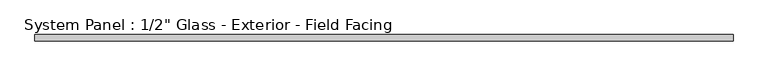
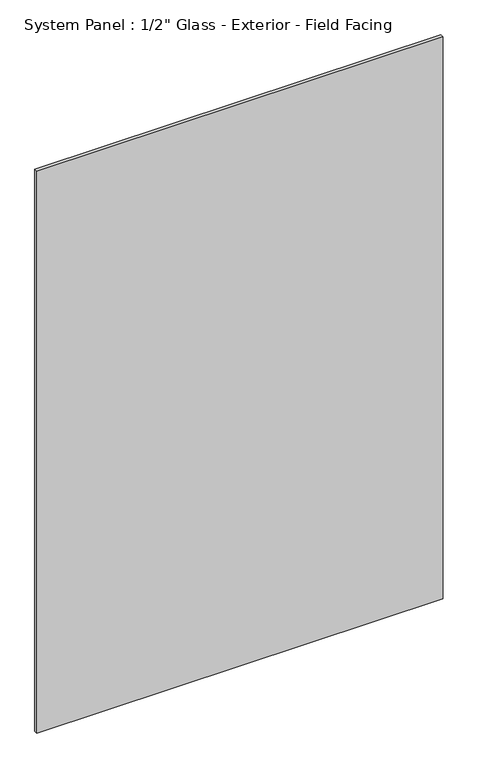
"""IFC4 building model written with IfcOpenShell, lengths in millimetres: plate geometry."""

import ifcopenshell
import ifcopenshell.guid

model = None  # the IFC model being written
_history = None  # IfcOwnerHistory: only IFC2X3 demands one
_inside = {}  # id of a spatial element -> (the spatial element, [elements in it])
_under = {}  # id of a project, library or spatial element -> (it, [spatial elements below it])
_declared = {}  # id of a project -> (the project, [libraries it declares])
_typed = {}  # id of a type object -> (the type object, [elements of that type])
_made_of = {}  # id of a material, layer set ... -> (it, [elements and type objects made of it])


def new_model(schema):
    """Start an empty IFC model of exactly this schema.

    Asked for "IFC4X3", IfcOpenShell would pick the latest addendum, in which some entities
    have other attributes; the version numbers below select the first issue.
    IFC2X3 requires an IfcOwnerHistory on every rooted entity: one is made here for all.
    """
    global model, _history
    if schema == "IFC4X3":
        model = ifcopenshell.file(schema_version=(4, 3, 0, 0))
    else:
        model = ifcopenshell.file(schema=schema)
    _inside.clear()
    _under.clear()
    _declared.clear()
    _typed.clear()
    _made_of.clear()
    _history = None
    if model.schema == "IFC2X3":
        org = make("IfcOrganization", Name="unknown")
        user = make(
            "IfcPersonAndOrganization",
            ThePerson=make("IfcPerson", FamilyName="unknown"),
            TheOrganization=org,
        )
        app = make(
            "IfcApplication",
            ApplicationDeveloper=org,
            Version="unknown",
            ApplicationFullName="unknown",
            ApplicationIdentifier="unknown",
        )
        _history = make(
            "IfcOwnerHistory",
            OwningUser=user,
            OwningApplication=app,
            ChangeAction="ADDED",
            CreationDate=0,
        )
    return model


def make(cls, **values):
    """One entity of the class cls with the attributes given. An attribute that is None is left unset."""
    return model.create_entity(
        cls, **{name: value for name, value in values.items() if value is not None}
    )


def rooted(cls, **values):
    """An entity with a GlobalId (a new one), such as an element, a storey or a relation."""
    return make(cls, GlobalId=ifcopenshell.guid.new(), OwnerHistory=_history, **values)


def si_unit(unit_type, name, prefix=None):
    """IfcSIUnit, for example si_unit("LENGTHUNIT", "METRE", prefix="MILLI")."""
    return make("IfcSIUnit", UnitType=unit_type, Prefix=prefix, Name=name)


def assignment(units):
    """IfcUnitAssignment: the units of a project."""
    return None if units is None else make("IfcUnitAssignment", Units=units)


def point(xyz):
    """IfcCartesianPoint."""
    return None if xyz is None else make("IfcCartesianPoint", Coordinates=xyz)


def direction(xyz):
    """IfcDirection."""
    return None if xyz is None else make("IfcDirection", DirectionRatios=xyz)


def frame(location, z_axis=None, x_axis=None):
    """IfcAxis2Placement3D, a coordinate frame: its origin and axes. An axis left out is left unset."""
    return make(
        "IfcAxis2Placement3D",
        Location=point(location),
        Axis=direction(z_axis),
        RefDirection=direction(x_axis),
    )


def origin():
    """The frame at (0, 0, 0) with its axes left unset."""
    return frame((0.0, 0.0, 0.0))


def origin_with_axes():
    """The frame at (0, 0, 0) with the z axis (0, 0, 1) and the x axis (1, 0, 0) written out."""
    return frame((0.0, 0.0, 0.0), z_axis=(0.0, 0.0, 1.0), x_axis=(1.0, 0.0, 0.0))


def place(relative_to, where):
    """IfcLocalPlacement: puts the frame where relative to a parent placement (None: the world)."""
    return make(
        "IfcLocalPlacement", PlacementRelTo=relative_to, RelativePlacement=where
    )


def context(
    kind, dimensions, precision=None, world=None, true_north=None, identifier=None
):
    """IfcGeometricRepresentationContext, for example the 3D "Model" context."""
    return make(
        "IfcGeometricRepresentationContext",
        ContextIdentifier=identifier,
        ContextType=kind,
        CoordinateSpaceDimension=dimensions,
        Precision=precision,
        WorldCoordinateSystem=world,
        TrueNorth=true_north,
    )


def project(units=None, contexts=None):
    """IfcProject with its units and contexts."""
    return rooted(
        "IfcProject",
        Name="project",
        RepresentationContexts=contexts,
        UnitsInContext=assignment(units),
    )


def spatial(cls, under=None, at=None, **own):
    """A site, building, storey or space (cls), placed at a placement, below another one or the project."""
    s = rooted(cls, ObjectPlacement=at, **own)
    if under is not None:
        _under.setdefault(under.id(), (under, []))[1].append(s)
    return s


def polyline(points):
    """IfcPolyline through the points."""
    return make("IfcPolyline", Points=[point(p) for p in points])


def outline(outer, holes=None, kind="AREA"):
    """IfcArbitraryClosedProfileDef: a profile drawn as a closed curve; with holes, ...WithVoids."""
    if holes is None:
        return make("IfcArbitraryClosedProfileDef", ProfileType=kind, OuterCurve=outer)
    return make(
        "IfcArbitraryProfileDefWithVoids",
        ProfileType=kind,
        OuterCurve=outer,
        InnerCurves=holes,
    )


def extrude(swept, where, along, depth):
    """IfcExtrudedAreaSolid: the profile swept, set in the frame where, extruded along a direction by depth."""
    return make(
        "IfcExtrudedAreaSolid",
        SweptArea=swept,
        Position=where,
        ExtrudedDirection=direction(along),
        Depth=depth,
    )


def shape(context_of_items, identifier, shape_type, items):
    """IfcShapeRepresentation: the items that make up one representation, for example the "Body"."""
    return make(
        "IfcShapeRepresentation",
        ContextOfItems=context_of_items,
        RepresentationIdentifier=identifier,
        RepresentationType=shape_type,
        Items=items,
    )


def source(mapping_origin, context_of_items, identifier, shape_type, items):
    """IfcRepresentationMap: a shape defined once, which mapped items show again and again."""
    return make(
        "IfcRepresentationMap",
        MappingOrigin=mapping_origin,
        MappedRepresentation=shape(context_of_items, identifier, shape_type, items),
    )


def transform(
    local_origin,
    x_axis=None,
    y_axis=None,
    z_axis=None,
    scale=None,
    scale2=None,
    scale3=None,
    uniform=True,
):
    """IfcCartesianTransformationOperator3D, or its non-uniform kind. x_axis, y_axis, z_axis: its Axis1, 2, 3."""
    if uniform:
        return make(
            "IfcCartesianTransformationOperator3D",
            Axis1=direction(x_axis),
            Axis2=direction(y_axis),
            LocalOrigin=point(local_origin),
            Scale=scale,
            Axis3=direction(z_axis),
        )
    return make(
        "IfcCartesianTransformationOperator3DnonUniform",
        Axis1=direction(x_axis),
        Axis2=direction(y_axis),
        LocalOrigin=point(local_origin),
        Scale=scale,
        Axis3=direction(z_axis),
        Scale2=scale2,
        Scale3=scale3,
    )


def mapped(mapping_source, mapping_target):
    """IfcMappedItem: shows the shape of a source again, moved by a transform."""
    return make(
        "IfcMappedItem", MappingSource=mapping_source, MappingTarget=mapping_target
    )


def made_of(thing, what):
    """Note that an element or type object is made of a material, layer set ...; save() writes the relation."""
    if what is not None:
        _made_of.setdefault(what.id(), (what, []))[1].append(thing)
    return thing


def element(
    cls,
    number,
    at=None,
    inside=None,
    cuts=None,
    type_object=None,
    material=None,
    context=None,
    identifier="Body",
    shape_type=None,
    held_by="IfcProductDefinitionShape",
    body=None,
    shapes=None,
    **own,
):
    """One element of the class cls, such as IfcWall. Its Tag is "e" and its number.

    at: its placement. inside: the storey or other place that contains it. cuts: it is an
    opening in that element (IfcRelVoidsElement). A single representation is given by context,
    identifier, shape_type and body (its items); several are given by shapes. held_by: the class
    of the entity that holds the representations. save() writes the other relations.
    """
    e = rooted(cls, Tag="e%d" % number, ObjectPlacement=at, **own)
    if body is not None:
        shapes = [shape(context, identifier, shape_type, body)]
    if shapes is not None:
        e.Representation = make(held_by, Representations=shapes)
    if inside is not None:
        _inside.setdefault(inside.id(), (inside, []))[1].append(e)
    if cuts is not None:
        rooted(
            "IfcRelVoidsElement", RelatingBuildingElement=cuts, RelatedOpeningElement=e
        )
    if type_object is not None:
        _typed.setdefault(type_object.id(), (type_object, []))[1].append(e)
    return made_of(e, material)


def aggregate(whole, parts):
    """IfcRelAggregates: a whole, such as a stair, and the parts it consists of."""
    return rooted("IfcRelAggregates", RelatingObject=whole, RelatedObjects=parts)


def save(model, path):
    """Write the relations noted so far, then the file.

    IfcRelAggregates (storeys below a building ...), IfcRelContainedInSpatialStructure (elements
    in a storey), IfcRelDefinesByType, IfcRelAssociatesMaterial and IfcRelDeclares: one each for
    every whole, place, type object, material and project.
    """
    for whole, parts in _under.values():
        aggregate(whole, parts)
    for where, things in _inside.values():
        rooted(
            "IfcRelContainedInSpatialStructure",
            RelatedElements=things,
            RelatingStructure=where,
        )
    for kind, things in _typed.values():
        rooted("IfcRelDefinesByType", RelatedObjects=things, RelatingType=kind)
    for what, things in _made_of.values():
        rooted("IfcRelAssociatesMaterial", RelatedObjects=things, RelatingMaterial=what)
    for by, libraries in _declared.values():
        rooted("IfcRelDeclares", RelatingContext=by, RelatedDefinitions=libraries)
    model.write(path)


def plate_4318dd4a(model_context):
    return source(origin(), model_context, "Body", "SweptSolid", [
        extrude(outline(polyline([(760.5, -1.95), (-760.5, -1.95), (-760.5, 11.55), (760.5, 11.55), (760.5, -1.95)])), origin_with_axes(), (0.0, 0.0, 1.0), 2223.15),
    ])


if __name__ == "__main__":
    model = new_model("IFC4")
    model_context = context("Model", 3, world=origin())
    ifc_project = project(units=[si_unit("LENGTHUNIT", "METRE", prefix="MILLI")], contexts=[model_context])
    site = spatial("IfcSite", under=ifc_project)
    building = spatial("IfcBuilding", under=site)
    placement = place(None, origin())
    plate_shape = plate_4318dd4a(model_context)
    element("IfcPlate", 1, ObjectType="System Panel : 1/2\" Glass - Exterior - Field Facing", at=placement, inside=building, context=model_context, shape_type="MappedRepresentation", body=[
        mapped(plate_shape, transform((0.0, 0.0, 0.0), x_axis=(1.0, 0.0, 0.0), y_axis=(0.0, 1.0, 0.0), z_axis=(0.0, 0.0, 1.0))),
    ])
    save(model, "model.ifc")
